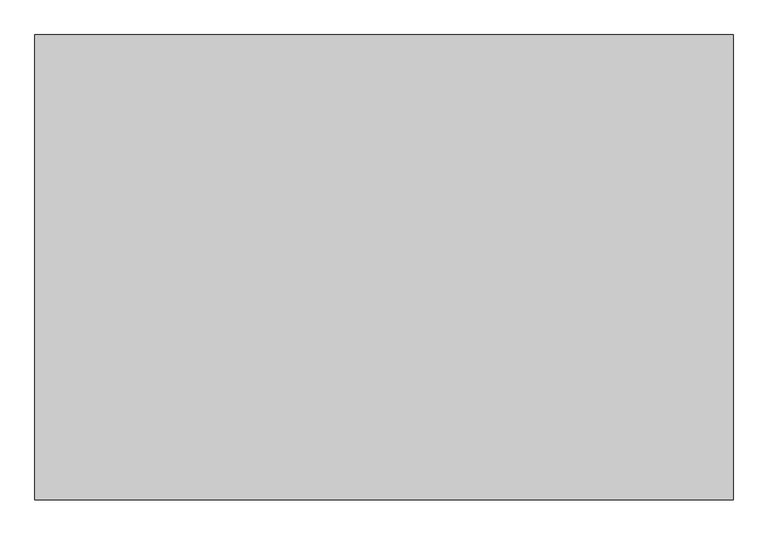
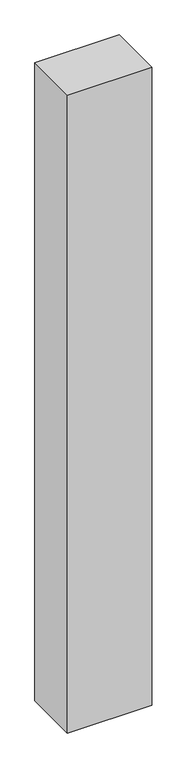
"""IFC4 building model written with IfcOpenShell, lengths in millimetres: proxy geometry."""

import ifcopenshell
import ifcopenshell.guid

model = None  # the IFC model being written
_history = None  # IfcOwnerHistory: only IFC2X3 demands one
_inside = {}  # id of a spatial element -> (the spatial element, [elements in it])
_under = {}  # id of a project, library or spatial element -> (it, [spatial elements below it])
_declared = {}  # id of a project -> (the project, [libraries it declares])
_typed = {}  # id of a type object -> (the type object, [elements of that type])
_made_of = {}  # id of a material, layer set ... -> (it, [elements and type objects made of it])


def new_model(schema):
    """Start an empty IFC model of exactly this schema.

    Asked for "IFC4X3", IfcOpenShell would pick the latest addendum, in which some entities
    have other attributes; the version numbers below select the first issue.
    IFC2X3 requires an IfcOwnerHistory on every rooted entity: one is made here for all.
    """
    global model, _history
    if schema == "IFC4X3":
        model = ifcopenshell.file(schema_version=(4, 3, 0, 0))
    else:
        model = ifcopenshell.file(schema=schema)
    _inside.clear()
    _under.clear()
    _declared.clear()
    _typed.clear()
    _made_of.clear()
    _history = None
    if model.schema == "IFC2X3":
        org = make("IfcOrganization", Name="unknown")
        user = make(
            "IfcPersonAndOrganization",
            ThePerson=make("IfcPerson", FamilyName="unknown"),
            TheOrganization=org,
        )
        app = make(
            "IfcApplication",
            ApplicationDeveloper=org,
            Version="unknown",
            ApplicationFullName="unknown",
            ApplicationIdentifier="unknown",
        )
        _history = make(
            "IfcOwnerHistory",
            OwningUser=user,
            OwningApplication=app,
            ChangeAction="ADDED",
            CreationDate=0,
        )
    return model


def make(cls, **values):
    """One entity of the class cls with the attributes given. An attribute that is None is left unset."""
    return model.create_entity(
        cls, **{name: value for name, value in values.items() if value is not None}
    )


def rooted(cls, **values):
    """An entity with a GlobalId (a new one), such as an element, a storey or a relation."""
    return make(cls, GlobalId=ifcopenshell.guid.new(), OwnerHistory=_history, **values)


def si_unit(unit_type, name, prefix=None):
    """IfcSIUnit, for example si_unit("LENGTHUNIT", "METRE", prefix="MILLI")."""
    return make("IfcSIUnit", UnitType=unit_type, Prefix=prefix, Name=name)


def assignment(units):
    """IfcUnitAssignment: the units of a project."""
    return None if units is None else make("IfcUnitAssignment", Units=units)


def point(xyz):
    """IfcCartesianPoint."""
    return None if xyz is None else make("IfcCartesianPoint", Coordinates=xyz)


def direction(xyz):
    """IfcDirection."""
    return None if xyz is None else make("IfcDirection", DirectionRatios=xyz)


def frame(location, z_axis=None, x_axis=None):
    """IfcAxis2Placement3D, a coordinate frame: its origin and axes. An axis left out is left unset."""
    return make(
        "IfcAxis2Placement3D",
        Location=point(location),
        Axis=direction(z_axis),
        RefDirection=direction(x_axis),
    )


def origin():
    """The frame at (0, 0, 0) with its axes left unset."""
    return frame((0.0, 0.0, 0.0))


def origin_with_axes():
    """The frame at (0, 0, 0) with the z axis (0, 0, 1) and the x axis (1, 0, 0) written out."""
    return frame((0.0, 0.0, 0.0), z_axis=(0.0, 0.0, 1.0), x_axis=(1.0, 0.0, 0.0))


def place(relative_to, where):
    """IfcLocalPlacement: puts the frame where relative to a parent placement (None: the world)."""
    return make(
        "IfcLocalPlacement", PlacementRelTo=relative_to, RelativePlacement=where
    )


def context(
    kind, dimensions, precision=None, world=None, true_north=None, identifier=None
):
    """IfcGeometricRepresentationContext, for example the 3D "Model" context."""
    return make(
        "IfcGeometricRepresentationContext",
        ContextIdentifier=identifier,
        ContextType=kind,
        CoordinateSpaceDimension=dimensions,
        Precision=precision,
        WorldCoordinateSystem=world,
        TrueNorth=true_north,
    )


def project(units=None, contexts=None):
    """IfcProject with its units and contexts."""
    return rooted(
        "IfcProject",
        Name="project",
        RepresentationContexts=contexts,
        UnitsInContext=assignment(units),
    )


def spatial(cls, under=None, at=None, **own):
    """A site, building, storey or space (cls), placed at a placement, below another one or the project."""
    s = rooted(cls, ObjectPlacement=at, **own)
    if under is not None:
        _under.setdefault(under.id(), (under, []))[1].append(s)
    return s


def polyline(points):
    """IfcPolyline through the points."""
    return make("IfcPolyline", Points=[point(p) for p in points])


def outline(outer, holes=None, kind="AREA"):
    """IfcArbitraryClosedProfileDef: a profile drawn as a closed curve; with holes, ...WithVoids."""
    if holes is None:
        return make("IfcArbitraryClosedProfileDef", ProfileType=kind, OuterCurve=outer)
    return make(
        "IfcArbitraryProfileDefWithVoids",
        ProfileType=kind,
        OuterCurve=outer,
        InnerCurves=holes,
    )


def extrude(swept, where, along, depth):
    """IfcExtrudedAreaSolid: the profile swept, set in the frame where, extruded along a direction by depth."""
    return make(
        "IfcExtrudedAreaSolid",
        SweptArea=swept,
        Position=where,
        ExtrudedDirection=direction(along),
        Depth=depth,
    )


def shape(context_of_items, identifier, shape_type, items):
    """IfcShapeRepresentation: the items that make up one representation, for example the "Body"."""
    return make(
        "IfcShapeRepresentation",
        ContextOfItems=context_of_items,
        RepresentationIdentifier=identifier,
        RepresentationType=shape_type,
        Items=items,
    )


def source(mapping_origin, context_of_items, identifier, shape_type, items):
    """IfcRepresentationMap: a shape defined once, which mapped items show again and again."""
    return make(
        "IfcRepresentationMap",
        MappingOrigin=mapping_origin,
        MappedRepresentation=shape(context_of_items, identifier, shape_type, items),
    )


def transform(
    local_origin,
    x_axis=None,
    y_axis=None,
    z_axis=None,
    scale=None,
    scale2=None,
    scale3=None,
    uniform=True,
):
    """IfcCartesianTransformationOperator3D, or its non-uniform kind. x_axis, y_axis, z_axis: its Axis1, 2, 3."""
    if uniform:
        return make(
            "IfcCartesianTransformationOperator3D",
            Axis1=direction(x_axis),
            Axis2=direction(y_axis),
            LocalOrigin=point(local_origin),
            Scale=scale,
            Axis3=direction(z_axis),
        )
    return make(
        "IfcCartesianTransformationOperator3DnonUniform",
        Axis1=direction(x_axis),
        Axis2=direction(y_axis),
        LocalOrigin=point(local_origin),
        Scale=scale,
        Axis3=direction(z_axis),
        Scale2=scale2,
        Scale3=scale3,
    )


def mapped(mapping_source, mapping_target):
    """IfcMappedItem: shows the shape of a source again, moved by a transform."""
    return make(
        "IfcMappedItem", MappingSource=mapping_source, MappingTarget=mapping_target
    )


def made_of(thing, what):
    """Note that an element or type object is made of a material, layer set ...; save() writes the relation."""
    if what is not None:
        _made_of.setdefault(what.id(), (what, []))[1].append(thing)
    return thing


def element(
    cls,
    number,
    at=None,
    inside=None,
    cuts=None,
    type_object=None,
    material=None,
    context=None,
    identifier="Body",
    shape_type=None,
    held_by="IfcProductDefinitionShape",
    body=None,
    shapes=None,
    **own,
):
    """One element of the class cls, such as IfcWall. Its Tag is "e" and its number.

    at: its placement. inside: the storey or other place that contains it. cuts: it is an
    opening in that element (IfcRelVoidsElement). A single representation is given by context,
    identifier, shape_type and body (its items); several are given by shapes. held_by: the class
    of the entity that holds the representations. save() writes the other relations.
    """
    e = rooted(cls, Tag="e%d" % number, ObjectPlacement=at, **own)
    if body is not None:
        shapes = [shape(context, identifier, shape_type, body)]
    if shapes is not None:
        e.Representation = make(held_by, Representations=shapes)
    if inside is not None:
        _inside.setdefault(inside.id(), (inside, []))[1].append(e)
    if cuts is not None:
        rooted(
            "IfcRelVoidsElement", RelatingBuildingElement=cuts, RelatedOpeningElement=e
        )
    if type_object is not None:
        _typed.setdefault(type_object.id(), (type_object, []))[1].append(e)
    return made_of(e, material)


def aggregate(whole, parts):
    """IfcRelAggregates: a whole, such as a stair, and the parts it consists of."""
    return rooted("IfcRelAggregates", RelatingObject=whole, RelatedObjects=parts)


def save(model, path):
    """Write the relations noted so far, then the file.

    IfcRelAggregates (storeys below a building ...), IfcRelContainedInSpatialStructure (elements
    in a storey), IfcRelDefinesByType, IfcRelAssociatesMaterial and IfcRelDeclares: one each for
    every whole, place, type object, material and project.
    """
    for whole, parts in _under.values():
        aggregate(whole, parts)
    for where, things in _inside.values():
        rooted(
            "IfcRelContainedInSpatialStructure",
            RelatedElements=things,
            RelatingStructure=where,
        )
    for kind, things in _typed.values():
        rooted("IfcRelDefinesByType", RelatedObjects=things, RelatingType=kind)
    for what, things in _made_of.values():
        rooted("IfcRelAssociatesMaterial", RelatedObjects=things, RelatingMaterial=what)
    for by, libraries in _declared.values():
        rooted("IfcRelDeclares", RelatingContext=by, RelatedDefinitions=libraries)
    model.write(path)


def generic_models_3c9e07fe(model_context):
    return source(origin(), model_context, "Body", "SweptSolid", [
        extrude(outline(polyline([(1045.7376446, 697.1584298), (1045.7376446, 0.0), (0.0, 0.0), (0.0, 697.1584298), (1045.7376446, 697.1584298)])), origin_with_axes(), (0.0, 0.0, 1.0), 8365.901157),
    ])


if __name__ == "__main__":
    model = new_model("IFC4")
    model_context = context("Model", 3, world=origin())
    ifc_project = project(units=[si_unit("LENGTHUNIT", "METRE", prefix="MILLI")], contexts=[model_context])
    site = spatial("IfcSite", under=ifc_project)
    building = spatial("IfcBuilding", under=site)
    placement = place(None, origin())
    generic_models_shape = generic_models_3c9e07fe(model_context)
    element("IfcBuildingElementProxy", 1, Name="Generic Models", at=placement, inside=building, context=model_context, shape_type="MappedRepresentation", body=[
        mapped(generic_models_shape, transform((0.0, 0.0, 0.0), x_axis=(1.0, 0.0, 0.0), y_axis=(0.0, 1.0, 0.0), z_axis=(0.0, 0.0, 1.0))),
    ])
    save(model, "model.ifc")
